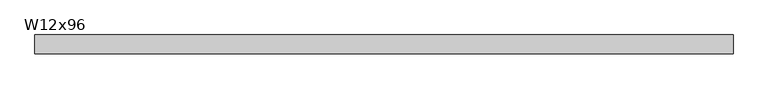
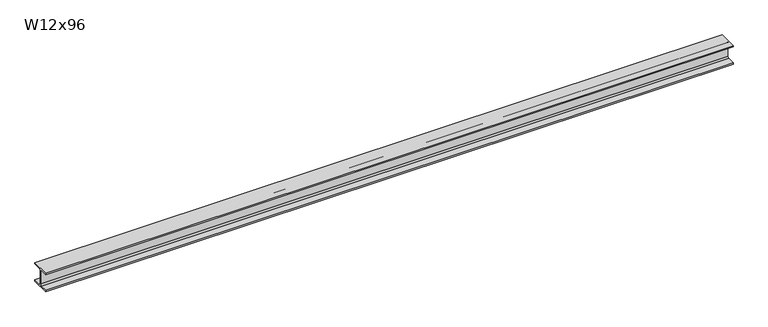
"""IFC4 building model written with IfcOpenShell, lengths in millimetres: beam geometry, W12x96."""

from ifc_helpers import new_model, si_unit, point, frame, frame_2d, origin, place, context, project, spatial, polyline, circle_curve, trimmed, segment, composite_curve, outline, extrude, source, transform, mapped, element, save


def w12x96_6dbcaa6e(model_context):
    return source(origin(), model_context, "Body", "SweptSolid", [
        extrude(outline(composite_curve([segment(polyline([(154.94, -138.43), (154.94, -161.29), (-154.94, -161.29), (-154.94, -138.43), (-30.1625, -138.43)]), True, "CONTINUOUS"), segment(trimmed(circle_curve(frame_2d((-30.1625, -115.2525)), 23.1775), [point((-30.1625, -138.43))], [point((-6.985, -115.2525))], True, "CARTESIAN"), True, "CONTINUOUS"), segment(polyline([(-6.985, -115.2525), (-6.985, 115.2525)]), True, "CONTINUOUS"), segment(trimmed(circle_curve(frame_2d((-30.1625, 115.2525)), 23.1775), [point((-6.985, 115.2525))], [point((-30.1625, 138.43))], True, "CARTESIAN"), True, "CONTINUOUS"), segment(polyline([(-30.1625, 138.43), (-154.94, 138.43), (-154.94, 161.29), (154.94, 161.29), (154.94, 138.43), (30.1625, 138.43)]), True, "CONTINUOUS"), segment(trimmed(circle_curve(frame_2d((30.1625, 115.2525)), 23.1775), [point((30.1625, 138.43))], [point((6.985, 115.2525))], True, "CARTESIAN"), True, "CONTINUOUS"), segment(polyline([(6.985, 115.2525), (6.985, -115.2525)]), True, "CONTINUOUS"), segment(trimmed(circle_curve(frame_2d((30.1625, -115.2525)), 23.1775), [point((6.985, -115.2525))], [point((30.1625, -138.43))], True, "CARTESIAN"), True, "CONTINUOUS"), segment(polyline([(30.1625, -138.43), (154.94, -138.43)]), True, "CONTINUOUS")], self_intersect=False)), frame((-5676.9, 0.0, 0.0), z_axis=(1.0, 0.0, 0.0), x_axis=(0.0, 1.0, 0.0)), (0.0, 0.0, 1.0), 11353.8),
    ])


if __name__ == "__main__":
    model = new_model("IFC4")
    model_context = context("Model", 3, world=origin())
    ifc_project = project(units=[si_unit("LENGTHUNIT", "METRE", prefix="MILLI")], contexts=[model_context])
    site = spatial("IfcSite", under=ifc_project)
    building = spatial("IfcBuilding", under=site)
    placement = place(None, origin())
    w12x96_shape = w12x96_6dbcaa6e(model_context)
    element("IfcBeam", 1, ObjectType="W12x96", at=placement, inside=building, context=model_context, shape_type="MappedRepresentation", body=[
        mapped(w12x96_shape, transform((0.0, 0.0, 0.0), x_axis=(1.0, 0.0, 0.0), y_axis=(0.0, 1.0, 0.0), z_axis=(0.0, 0.0, 1.0))),
    ])
    save(model, "model.ifc")
